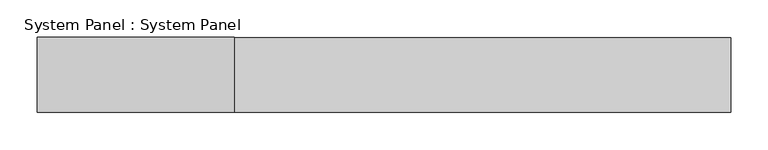
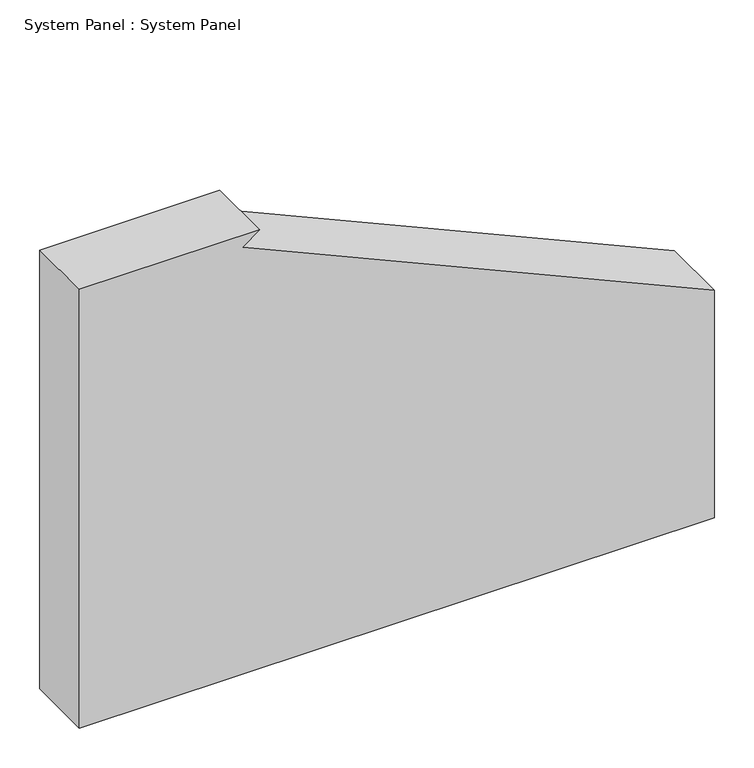
"""IFC4 building model written with IfcOpenShell, lengths in millimetres: plate geometry, System Panel : System Panel."""

from ifc_helpers import new_model, si_unit, point, frame, frame_2d, origin, place, context, project, spatial, polyline, circle_curve, trimmed, segment, composite_curve, outline, extrude, source, transform, mapped, element, save


def system_panel_system_panel_51e343da(model_context):
    return source(origin(), model_context, "Body", "SweptSolid", [
        extrude(outline(composite_curve([segment(polyline([(0.0, -462.5), (0.0, 462.5), (350.4605582, 462.5)]), True, "CONTINUOUS"), segment(trimmed(circle_curve(frame_2d((4335.9328622, 1829.4443343)), 4213.3746925), [point((350.4605582, 462.5))], [point((657.0366654, -224.3933108))], True, "CARTESIAN"), True, "CONTINUOUS"), segment(polyline([(657.0366654, -224.3933108), (675.694024, -200.0204767), (675.694024, -462.5), (0.0, -462.5)]), True, "CONTINUOUS")], self_intersect=False)), frame((0.0, -50.0, 0.0), z_axis=(0.0, 1.0, 0.0), x_axis=(0.0, 0.0, 1.0)), (0.0, 0.0, 1.0), 100.0),
    ])


if __name__ == "__main__":
    model = new_model("IFC4")
    model_context = context("Model", 3, world=origin())
    ifc_project = project(units=[si_unit("LENGTHUNIT", "METRE", prefix="MILLI")], contexts=[model_context])
    site = spatial("IfcSite", under=ifc_project)
    building = spatial("IfcBuilding", under=site)
    placement = place(None, origin())
    system_panel_system_panel_shape = system_panel_system_panel_51e343da(model_context)
    element("IfcPlate", 1, ObjectType="System Panel : System Panel", at=placement, inside=building, context=model_context, shape_type="MappedRepresentation", body=[
        mapped(system_panel_system_panel_shape, transform((0.0, 0.0, 0.0), x_axis=(1.0, 0.0, 0.0), y_axis=(0.0, 1.0, 0.0), z_axis=(0.0, 0.0, 1.0))),
    ])
    save(model, "model.ifc")
